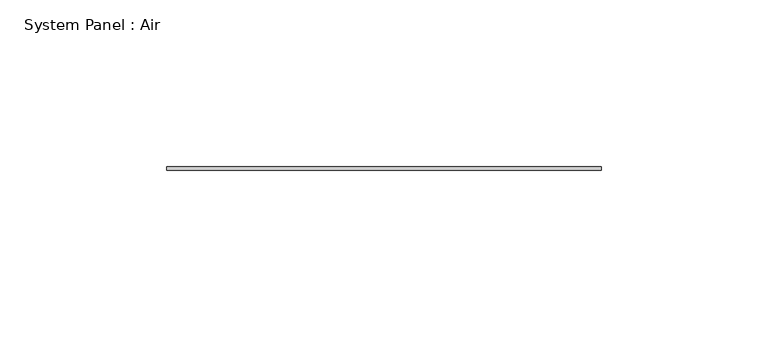
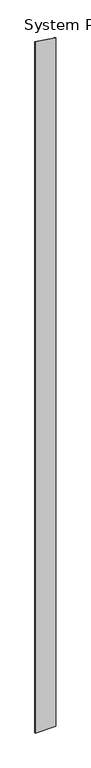
"""IFC4 building model written with IfcOpenShell, lengths in millimetres: plate geometry, System Panel : Air."""

from ifc_helpers import new_model, si_unit, frame, origin, place, context, project, spatial, polyline, outline, extrude, source, transform, mapped, element, save


def system_panel_air_413b2dc6(model_context):
    return source(origin(), model_context, "Body", "SweptSolid", [
        extrude(outline(polyline([(0.0, -65.0), (0.0, 65.0), (4548.5696568, 65.0), (4567.8162107, -65.0), (0.0, -65.0)])), frame((0.0, 36.5, 0.0), z_axis=(0.0, 1.0, 0.0), x_axis=(0.0, 0.0, 1.0)), (0.0, 0.0, 1.0), 1.0),
    ])


if __name__ == "__main__":
    model = new_model("IFC4")
    model_context = context("Model", 3, world=origin())
    ifc_project = project(units=[si_unit("LENGTHUNIT", "METRE", prefix="MILLI")], contexts=[model_context])
    site = spatial("IfcSite", under=ifc_project)
    building = spatial("IfcBuilding", under=site)
    placement = place(None, origin())
    system_panel_air_shape = system_panel_air_413b2dc6(model_context)
    element("IfcPlate", 1, ObjectType="System Panel : Air", at=placement, inside=building, context=model_context, shape_type="MappedRepresentation", body=[
        mapped(system_panel_air_shape, transform((0.0, 0.0, 0.0), x_axis=(1.0, 0.0, 0.0), y_axis=(0.0, 1.0, 0.0), z_axis=(0.0, 0.0, 1.0))),
    ])
    save(model, "model.ifc")
